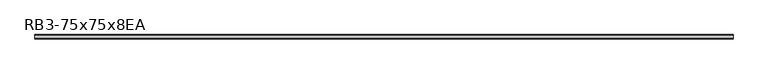
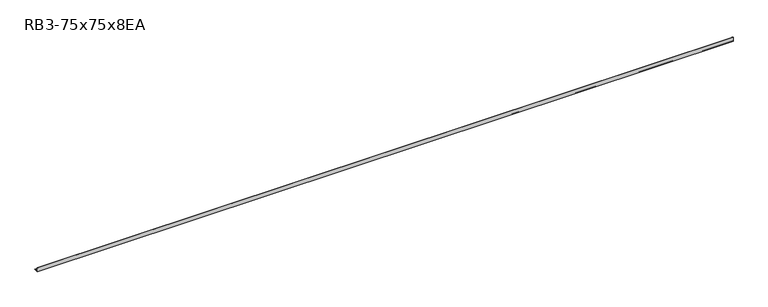
"""IFC4 building model written with IfcOpenShell, lengths in millimetres: member geometry, RB3-75x75x8EA."""

from ifc_helpers import new_model, si_unit, point, frame, frame_2d, origin, place, context, project, spatial, polyline, circle_curve, trimmed, segment, composite_curve, outline, extrude, source, transform, mapped, element, save


def rb3_75x75x8ea_98cde1ea(model_context):
    return source(origin(), model_context, "Body", "SweptSolid", [
        extrude(outline(composite_curve([segment(polyline([(-21.3, -21.3), (-21.3, 53.7), (-18.3, 53.7)]), True, "CONTINUOUS"), segment(trimmed(circle_curve(frame_2d((-18.3, 48.7)), 5.0), [point((-18.3, 53.7))], [point((-13.3, 48.7))], False, "CARTESIAN"), True, "CONTINUOUS"), segment(polyline([(-13.3, 48.7), (-13.3, -5.3)]), True, "CONTINUOUS"), segment(trimmed(circle_curve(frame_2d((-5.3, -5.3)), 8.0), [point((-13.3, -5.3))], [point((-5.3, -13.3))], True, "CARTESIAN"), True, "CONTINUOUS"), segment(polyline([(-5.3, -13.3), (48.7, -13.3)]), True, "CONTINUOUS"), segment(trimmed(circle_curve(frame_2d((48.7, -18.3)), 5.0), [point((48.7, -13.3))], [point((53.7, -18.3))], False, "CARTESIAN"), True, "CONTINUOUS"), segment(polyline([(53.7, -18.3), (53.7, -21.3), (-21.3, -21.3)]), True, "CONTINUOUS")], self_intersect=False)), frame((-6182.5, 0.0, 0.0), z_axis=(1.0, 0.0, 0.0), x_axis=(0.0, 1.0, 0.0)), (0.0, 0.0, 1.0), 12122.0),
    ])


if __name__ == "__main__":
    model = new_model("IFC4")
    model_context = context("Model", 3, world=origin())
    ifc_project = project(units=[si_unit("LENGTHUNIT", "METRE", prefix="MILLI")], contexts=[model_context])
    site = spatial("IfcSite", under=ifc_project)
    building = spatial("IfcBuilding", under=site)
    placement = place(None, origin())
    rb3_75x75x8ea_shape = rb3_75x75x8ea_98cde1ea(model_context)
    element("IfcMember", 1, ObjectType="RB3-75x75x8EA", at=placement, inside=building, context=model_context, shape_type="MappedRepresentation", body=[
        mapped(rb3_75x75x8ea_shape, transform((0.0, 0.0, 0.0), x_axis=(1.0, 0.0, 0.0), y_axis=(0.0, 1.0, 0.0), z_axis=(0.0, 0.0, 1.0))),
    ])
    save(model, "model.ifc")
